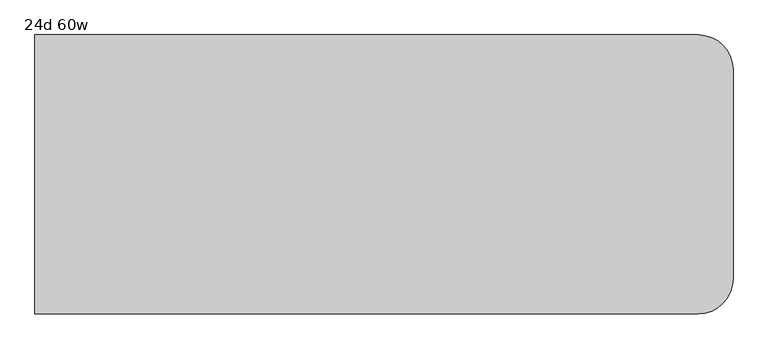
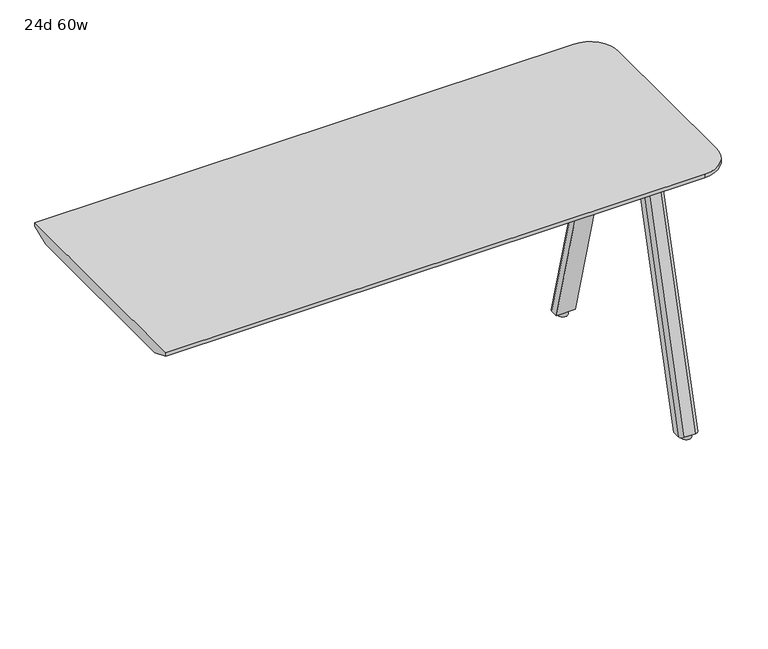
"""IFC4 building model written with IfcOpenShell, lengths in millimetres: furniture geometry, 24d 60w."""

from ifc_helpers import new_model, si_unit, point, frame, frame_2d, origin, origin_with_axes, place, context, project, spatial, polyline, circle_curve, trimmed, segment, composite_curve, outline, extrude, source, transform, mapped, element, save
from ifc_brep_helpers import plane_surface, cylinder_surface, revolved_surface, extruded_surface, advanced_brep


def furniture_24d_60w_cbe3bc09(model_context):
    return source(origin(), model_context, "Body", "SolidModel", [
        extrude(outline(composite_curve([segment(polyline([(1112.4565, -177.5714359), (1004.5065004, -177.5714359)]), True, "CONTINUOUS"), segment(trimmed(circle_curve(frame_2d((1004.5065004, -168.0464359)), 9.525), [point((1004.5065004, -177.5714359))], [point((994.9815004, -168.0464359))], False, "CARTESIAN"), True, "CONTINUOUS"), segment(polyline([(994.9815004, -168.0464359), (994.9815004, -85.3730665)]), True, "CONTINUOUS"), segment(trimmed(circle_curve(frame_2d((1004.5065004, -85.3730665)), 9.525), [point((994.9815004, -85.3730665))], [point((1004.5065004, -75.8480665))], False, "CARTESIAN"), True, "CONTINUOUS"), segment(polyline([(1004.5065004, -75.8480665), (1112.4565, -75.8480665)]), True, "CONTINUOUS"), segment(trimmed(circle_curve(frame_2d((1112.4565, -85.3730665)), 9.525), [point((1112.4565, -75.8480665))], [point((1121.9815, -85.3730665))], False, "CARTESIAN"), True, "CONTINUOUS"), segment(polyline([(1121.9815, -85.3730665), (1121.9815, -168.0464359)]), True, "CONTINUOUS"), segment(trimmed(circle_curve(frame_2d((1112.4565, -168.0464359)), 9.525), [point((1121.9815, -168.0464359))], [point((1112.4565, -177.5714359))], False, "CARTESIAN"), True, "CONTINUOUS")], self_intersect=False)), frame((0.0, 0.0, 705.2055742), z_axis=(0.0, 0.0, 1.0), x_axis=(1.0, 0.0, 0.0)), (0.0, 0.0, 1.0), 5.9944258),
        advanced_brep(
        [(1106.4875, -83.0722266, 705.2055742), (1074.7375, -83.0722266, 705.2055742), (1065.2125, -92.5972266, 705.2055742), (1065.2125, -113.2347266, 705.2055742), (1116.0125, -113.2347266, 705.2055742), (1116.0125, -92.5972266, 705.2055742), (1106.4875, 103.4160641, 12.7), (1116.0125, 93.8910641, 12.7), (1116.0125, 73.2535641, 12.7), (1065.2125, 73.2535641, 12.7), (1065.2125, 93.8910641, 12.7), (1074.7375, 103.4160641, 12.7)],
        [
            (0, 1),
            (1, 2, circle_curve(frame((1074.7375, -92.5972266, 705.2055742), z_axis=(0.0, 0.0, 1.0), x_axis=(1.0, 0.0, 0.0)), 9.525)),
            (2, 3),
            (3, 4),
            (4, 5),
            (5, 0, circle_curve(frame((1106.4875, -92.5972266, 705.2055742), z_axis=(0.0, 0.0, 1.0), x_axis=(1.0, 0.0, 0.0)), 9.525)),
            (6, 7, circle_curve(frame((1106.4875, 93.8910641, 12.7), z_axis=(0.0, 0.0, -1.0), x_axis=(1.0, 0.0, 0.0)), 9.525)),
            (7, 8),
            (8, 9),
            (9, 10),
            (10, 11, circle_curve(frame((1074.7375, 93.8910641, 12.7), z_axis=(0.0, 0.0, -1.0), x_axis=(1.0, 0.0, 0.0)), 9.525)),
            (11, 6),
            (6, 0),
            (5, 7),
            (4, 8),
            (3, 9),
            (2, 10),
            (1, 11),
        ],
        [
            plane_surface(frame((1090.6125, -96.3013932, 705.2055742), z_axis=(0.0, 0.0, 1.0), x_axis=(-1.0, 0.0, 0.0))),
            plane_surface(frame((1090.6125, 90.1868975, 12.7), z_axis=(0.0, 0.0, -1.0), x_axis=(-1.0, 0.0, 0.0))),
            extruded_surface(trimmed(circle_curve(frame((1106.4875, -92.5972266, 705.2055742), z_axis=(0.0, 0.0, -1.0), x_axis=(1.0, 0.0, 0.0)), 9.525), [point((1106.4875, -83.0722266, 705.2055742))], [point((1116.0125, -92.5972266, 705.2055742))], True, "CARTESIAN"), (0.0, 186.4882907, -692.5055742), 717.1763052878136),
            plane_surface(frame((1116.0125, 83.5723141, 12.7), z_axis=(1.0, 0.0, 0.0), x_axis=(0.0, -1.0, 0.0))),
            plane_surface(frame((1090.6125, 73.2535641, 12.7), z_axis=(0.0, -0.9656001865922422, -0.260031305140414), x_axis=(-1.0, 0.0, 0.0))),
            plane_surface(frame((1065.2125, 83.5723141, 12.7), z_axis=(-1.0, 0.0, 0.0), x_axis=(0.0, 1.0, 0.0))),
            extruded_surface(trimmed(circle_curve(frame((1074.7375, -92.5972266, 705.2055742), z_axis=(0.0, 0.0, -1.0), x_axis=(1.0, 0.0, 0.0)), 9.525), [point((1065.2125, -92.5972266, 705.2055742))], [point((1074.7375, -83.0722266, 705.2055742))], True, "CARTESIAN"), (0.0, 186.4882907, -692.5055742), 717.1763052878136),
            plane_surface(frame((1090.6125, 103.4160641, 12.7), z_axis=(0.0, 0.9656001865922422, 0.260031305140414), x_axis=(1.0, 0.0, 0.0))),
        ],
        [
            (0, [[1, 2, 3, 4, 5, 6]]),
            (1, [[7, 8, 9, 10, 11, 12]]),
            (2, [[13, -6, 14, -7]]),
            (3, [[-14, -5, 15, -8]]),
            (4, [[-15, -4, 16, -9]]),
            (5, [[-16, -3, 17, -10]]),
            (6, [[-17, -2, 18, -11]]),
            (7, [[-18, -1, -13, -12]]),
        ],
    ),
        extrude(outline(composite_curve([segment(trimmed(circle_curve(frame_2d((1090.6125, 87.5410641)), 12.7), [point((1077.9125, 87.5410641))], [point((1103.3125, 87.5410641))], False, "CARTESIAN"), True, "CONTINUOUS"), segment(trimmed(circle_curve(frame_2d((1090.6125, 87.5410641)), 12.7), [point((1103.3125, 87.5410641))], [point((1077.9125, 87.5410641))], False, "CARTESIAN"), True, "CONTINUOUS")], self_intersect=False)), origin_with_axes(), (0.0, 0.0, 1.0), 12.7),
        extrude(outline(composite_curve([segment(trimmed(circle_curve(frame_2d((1112.4565, -231.4605172)), 9.525), [point((1112.4565, -221.9355172))], [point((1121.9815, -231.4605172))], False, "CARTESIAN"), True, "CONTINUOUS"), segment(polyline([(1121.9815, -231.4605172), (1121.9815, -314.1338866)]), True, "CONTINUOUS"), segment(trimmed(circle_curve(frame_2d((1112.4565, -314.1338866)), 9.525), [point((1121.9815, -314.1338866))], [point((1112.4565, -323.6588866))], False, "CARTESIAN"), True, "CONTINUOUS"), segment(polyline([(1112.4565, -323.6588866), (1004.5065004, -323.6588866)]), True, "CONTINUOUS"), segment(trimmed(circle_curve(frame_2d((1004.5065004, -314.1338866)), 9.525), [point((1004.5065004, -323.6588866))], [point((994.9815004, -314.1338866))], False, "CARTESIAN"), True, "CONTINUOUS"), segment(polyline([(994.9815004, -314.1338866), (994.9815004, -231.4605172)]), True, "CONTINUOUS"), segment(trimmed(circle_curve(frame_2d((1004.5065004, -231.4605172)), 9.525), [point((994.9815004, -231.4605172))], [point((1004.5065004, -221.9355172))], False, "CARTESIAN"), True, "CONTINUOUS"), segment(polyline([(1004.5065004, -221.9355172), (1112.4565, -221.9355172)]), True, "CONTINUOUS")], self_intersect=False)), frame((0.0, 0.0, 705.2055742), z_axis=(0.0, 0.0, 1.0), x_axis=(1.0, 0.0, 0.0)), (0.0, 0.0, 1.0), 5.9944258),
        advanced_brep(
        [(1106.4875, -316.4347266, 705.2055742), (1116.0125, -306.9097266, 705.2055742), (1116.0125, -286.2722266, 705.2055742), (1065.2125, -286.2722266, 705.2055742), (1065.2125, -306.9097266, 705.2055742), (1074.7375, -316.4347266, 705.2055742), (1106.4875, -502.9230172, 12.7), (1074.7375, -502.9230172, 12.7), (1065.2125, -493.3980172, 12.7), (1065.2125, -472.7605172, 12.7), (1116.0125, -472.7605172, 12.7), (1116.0125, -493.3980172, 12.7)],
        [
            (0, 1, circle_curve(frame((1106.4875, -306.9097266, 705.2055742), z_axis=(0.0, 0.0, 1.0), x_axis=(1.0, 0.0, 0.0)), 9.525)),
            (1, 2),
            (2, 3),
            (3, 4),
            (4, 5, circle_curve(frame((1074.7375, -306.9097266, 705.2055742), z_axis=(0.0, 0.0, 1.0), x_axis=(1.0, 0.0, 0.0)), 9.525)),
            (5, 0),
            (6, 7),
            (7, 8, circle_curve(frame((1074.7375, -493.3980172, 12.7), z_axis=(0.0, 0.0, -1.0), x_axis=(1.0, 0.0, 0.0)), 9.525)),
            (8, 9),
            (9, 10),
            (10, 11),
            (11, 6, circle_curve(frame((1106.4875, -493.3980172, 12.7), z_axis=(0.0, 0.0, -1.0), x_axis=(1.0, 0.0, 0.0)), 9.525)),
            (11, 1),
            (0, 6),
            (10, 2),
            (9, 3),
            (8, 4),
            (7, 5),
        ],
        [
            plane_surface(frame((1090.6125, -303.2055599, 705.2055742), z_axis=(0.0, 0.0, 1.0), x_axis=(-1.0, 0.0, 0.0))),
            plane_surface(frame((1090.6125, -489.6938506, 12.7), z_axis=(0.0, 0.0, -1.0), x_axis=(-1.0, 0.0, 0.0))),
            extruded_surface(trimmed(circle_curve(frame((1106.4875, -493.3980172, 12.7), z_axis=(0.0, 0.0, 1.0), x_axis=(1.0, 0.0, 0.0)), 9.525), [point((1106.4875, -502.9230172, 12.7))], [point((1116.0125, -493.3980172, 12.7))], True, "CARTESIAN"), (0.0, 186.48829060000003, 692.5055742), 717.1763052618106),
            plane_surface(frame((1116.0125, -483.0792672, 12.7), z_axis=(1.0, 0.0, 0.0), x_axis=(0.0, 1.0, 0.0))),
            plane_surface(frame((1090.6125, -472.7605172, 12.7), z_axis=(0.0, 0.9656001865922422, -0.260031305140414), x_axis=(-1.0, 0.0, 0.0))),
            plane_surface(frame((1065.2125, -483.0792672, 12.7), z_axis=(-1.0, 0.0, 0.0), x_axis=(0.0, -1.0, 0.0))),
            extruded_surface(trimmed(circle_curve(frame((1074.7375, -493.3980172, 12.7), z_axis=(0.0, 0.0, 1.0), x_axis=(1.0, 0.0, 0.0)), 9.525), [point((1065.2125, -493.3980172, 12.7))], [point((1074.7375, -502.9230172, 12.7))], True, "CARTESIAN"), (0.0, 186.48829060000003, 692.5055742), 717.1763052618106),
            plane_surface(frame((1090.6125, -502.9230172, 12.7), z_axis=(0.0, -0.9656001865922422, 0.260031305140414), x_axis=(1.0, 0.0, 0.0))),
        ],
        [
            (0, [[1, 2, 3, 4, 5, 6]]),
            (1, [[7, 8, 9, 10, 11, 12]]),
            (2, [[-12, 13, -1, 14]]),
            (3, [[-11, 15, -2, -13]]),
            (4, [[-10, 16, -3, -15]]),
            (5, [[-9, 17, -4, -16]]),
            (6, [[-8, 18, -5, -17]]),
            (7, [[-7, -14, -6, -18]]),
        ],
    ),
        extrude(outline(composite_curve([segment(trimmed(circle_curve(frame_2d((1090.6125, -487.0480172)), 12.7), [point((1077.9125, -487.0480172))], [point((1103.3125, -487.0480172))], False, "CARTESIAN"), True, "CONTINUOUS"), segment(trimmed(circle_curve(frame_2d((1090.6125, -487.0480172)), 12.7), [point((1103.3125, -487.0480172))], [point((1077.9125, -487.0480172))], False, "CARTESIAN"), True, "CONTINUOUS")], self_intersect=False)), origin_with_axes(), (0.0, 0.0, 1.0), 12.7),
        advanced_brep(
        [(1130.3, 105.0465234, 741.3625), (-317.5, 105.0465234, 741.3625), (-317.5, -504.5534766, 741.3625), (1130.3, -504.5534766, 741.3625), (1206.5, -428.3534766, 741.3625), (1206.5, 28.8465234, 741.3625), (-317.5, -453.7534766, 711.2), (-317.5, 54.2465234, 711.2), (1130.3, 54.2465234, 711.2), (1155.7, 28.8465234, 711.2), (1155.7, -428.3534766, 711.2), (1130.3, -453.7534766, 711.2), (1130.3, 105.0465234, 731.8375), (-317.5, 105.0465234, 731.8375), (-317.5, -504.5534766, 731.8375), (1130.3, -504.5534766, 731.8375), (1206.5, -428.3534766, 731.8375), (1206.5, 28.8465234, 731.8375)],
        [
            (0, 1),
            (1, 2),
            (2, 3),
            (3, 4, circle_curve(frame((1130.3, -428.3534766, 741.3625), z_axis=(0.0, 0.0, 1.0), x_axis=(1.0, 0.0, 0.0)), 76.2)),
            (4, 5),
            (5, 0, circle_curve(frame((1130.3, 28.8465234, 741.3625), z_axis=(0.0, 0.0, 1.0), x_axis=(1.0, 0.0, 0.0)), 76.2)),
            (6, 7),
            (7, 8),
            (8, 9, circle_curve(frame((1130.3, 28.8465234, 711.2), z_axis=(0.0, 0.0, -1.0), x_axis=(1.0, 0.0, 0.0)), 25.4)),
            (9, 10),
            (10, 11, circle_curve(frame((1130.3, -428.3534766, 711.2), z_axis=(0.0, 0.0, -1.0), x_axis=(0.0, -1.0, 0.0)), 25.4)),
            (11, 6),
            (0, 12),
            (12, 13),
            (13, 1),
            (13, 7),
            (6, 14),
            (14, 2),
            (14, 15),
            (15, 3),
            (4, 16),
            (16, 17),
            (17, 5),
            (11, 15),
            (10, 16),
            (16, 15, circle_curve(frame((1130.3, -428.3534766, 731.8375), z_axis=(0.0, 0.0, -1.0), x_axis=(0.0, -1.0, 0.0)), 76.2)),
            (9, 17),
            (17, 12, circle_curve(frame((1130.3, 28.8465234, 731.8375), z_axis=(0.0, 0.0, 1.0), x_axis=(1.0, 0.0, 0.0)), 76.2)),
            (8, 12),
        ],
        [
            plane_surface(frame((-317.5, 105.0465234, 741.3625), z_axis=(0.0, 0.0, 1.0), x_axis=(-1.0, 0.0, 0.0))),
            plane_surface(frame((-317.5, 105.0465234, 711.2), z_axis=(0.0, 0.0, -1.0), x_axis=(1.0, 0.0, 0.0))),
            plane_surface(frame((1130.3, 105.0465234, 741.3625), z_axis=(0.0, 1.0, 0.0), x_axis=(0.0, 0.0, -1.0))),
            plane_surface(frame((-317.5, 105.0465234, 741.3625), z_axis=(-1.0, 0.0, 0.0), x_axis=(0.0, 0.0, -1.0))),
            plane_surface(frame((-317.5, -504.5534766, 741.3625), z_axis=(0.0, -1.0, 0.0), x_axis=(0.0, 0.0, -1.0))),
            plane_surface(frame((1206.5, -428.3534766, 741.3625), z_axis=(1.0, 0.0, 0.0), x_axis=(0.0, 0.0, -1.0))),
            plane_surface(frame((-317.5, -504.5534766, 731.8375), z_axis=(0.0, -0.37637704695766366, -0.9264665771216082), x_axis=(1.0, 0.0, 0.0))),
            revolved_surface(polyline([(1130.3, -453.7534766, 711.2), (1130.3, -504.5534766, 731.8375)]), (1130.3, -428.3534766, 0.0), (0.0, 0.0, 1.0)),
            plane_surface(frame((1206.5, -428.3534766, 731.8375), z_axis=(0.37637704695766366, 0.0, -0.9264665771216082), x_axis=(0.0, 1.0, 0.0))),
            cylinder_surface(frame((1130.3, -428.3534766, 711.2), z_axis=(0.0, 0.0, 1.0), x_axis=(1.0, 0.0, 0.0)), 76.2),
            cylinder_surface(frame((1130.3, 28.8465234, 711.2), z_axis=(0.0, 0.0, 1.0), x_axis=(1.0, 0.0, 0.0)), 76.2),
            revolved_surface(polyline([(1155.7, 28.8465234, 711.2), (1206.5, 28.8465234, 731.8375)]), (1130.3, 28.8465234, 0.0), (0.0, 0.0, 1.0)),
            plane_surface(frame((1130.3, 105.0465234, 731.8375), z_axis=(0.0, 0.37637704695766366, -0.9264665771216082), x_axis=(-1.0, 0.0, 0.0))),
        ],
        [
            (0, [[1, 2, 3, 4, 5, 6]]),
            (1, [[7, 8, 9, 10, 11, 12]]),
            (2, [[-1, 13, 14, 15]]),
            (3, [[-2, -15, 16, -7, 17, 18]]),
            (4, [[-3, -18, 19, 20]]),
            (5, [[-5, 21, 22, 23]]),
            (6, [[24, -19, -17, -12]]),
            (7, [[-24, -11, 25, 26]]),
            (8, [[-25, -10, 27, -22]]),
            (9, [[-4, -20, -26, -21]]),
            (10, [[-6, -23, 28, -13]]),
            (11, [[-27, -9, 29, -28]]),
            (12, [[-29, -8, -16, -14]]),
        ],
    ),
    ])


if __name__ == "__main__":
    model = new_model("IFC4")
    model_context = context("Model", 3, world=origin())
    ifc_project = project(units=[si_unit("LENGTHUNIT", "METRE", prefix="MILLI")], contexts=[model_context])
    site = spatial("IfcSite", under=ifc_project)
    building = spatial("IfcBuilding", under=site)
    placement = place(None, origin())
    furniture_24d_60w_shape = furniture_24d_60w_cbe3bc09(model_context)
    element("IfcFurniture", 1, ObjectType="24d 60w", at=placement, inside=building, context=model_context, shape_type="MappedRepresentation", body=[
        mapped(furniture_24d_60w_shape, transform((0.0, 0.0, 0.0), x_axis=(1.0, 0.0, 0.0), y_axis=(0.0, 1.0, 0.0), z_axis=(0.0, 0.0, 1.0))),
    ])
    save(model, "model.ifc")
